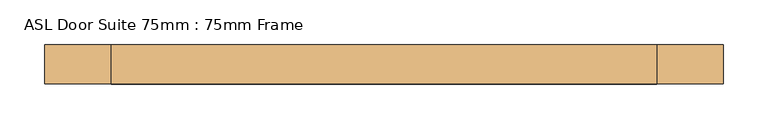
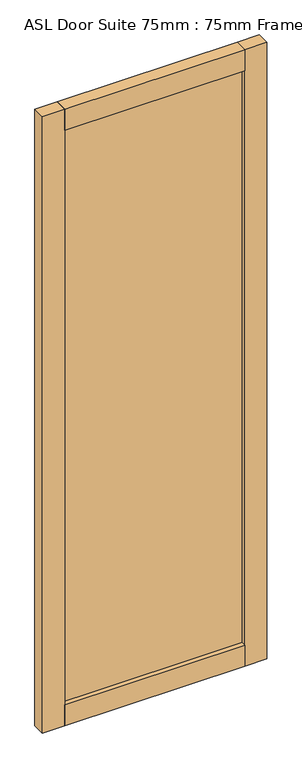
"""IFC4 building model written with IfcOpenShell, lengths in millimetres: door geometry, ASL Door Suite 75mm : 75mm Frame."""

from ifc_helpers import new_model, si_unit, frame, origin, origin_with_axes, place, context, project, spatial, polyline, outline, extrude, source, transform, mapped, element, save


def asl_door_suite_75mm_75mm_frame_d72bb117(model_context):
    return source(origin(), model_context, "Body", "SweptSolid", [
        extrude(outline(polyline([(305.5, 22.0), (305.5, -22.0), (-305.5, -22.0), (-305.5, 22.0), (305.5, 22.0)])), frame((0.0, 0.0, 2133.2673911), z_axis=(0.0, 0.0, 1.0), x_axis=(1.0, 0.0, 0.0)), (0.0, 0.0, 1.0), 75.0),
        extrude(outline(polyline([(-305.5, -22.0), (-380.5, -22.0), (-380.5, 22.0), (-305.5, 22.0), (-305.5, -22.0)])), origin_with_axes(), (0.0, 0.0, 1.0), 2208.2673911),
        extrude(outline(polyline([(305.5, -6.0), (-305.5, -6.0), (-305.5, 6.0), (305.5, 6.0), (305.5, -6.0)])), frame((0.0, 0.0, 75.0), z_axis=(0.0, 0.0, 1.0), x_axis=(1.0, 0.0, 0.0)), (0.0, 0.0, 1.0), 2058.2673911),
        extrude(outline(polyline([(-305.5, -22.0), (-305.5, 22.0), (305.5, 22.0), (305.5, -22.0), (-305.5, -22.0)])), origin_with_axes(), (0.0, 0.0, 1.0), 75.0),
        extrude(outline(polyline([(305.5, -22.0), (305.5, 22.0), (380.5, 22.0), (380.5, -22.0), (305.5, -22.0)])), origin_with_axes(), (0.0, 0.0, 1.0), 2208.2673911),
    ])


if __name__ == "__main__":
    model = new_model("IFC4")
    model_context = context("Model", 3, world=origin())
    ifc_project = project(units=[si_unit("LENGTHUNIT", "METRE", prefix="MILLI")], contexts=[model_context])
    site = spatial("IfcSite", under=ifc_project)
    building = spatial("IfcBuilding", under=site)
    placement = place(None, origin())
    asl_door_suite_75mm_75mm_frame_shape = asl_door_suite_75mm_75mm_frame_d72bb117(model_context)
    element("IfcDoor", 1, ObjectType="ASL Door Suite 75mm : 75mm Frame", at=placement, inside=building, context=model_context, shape_type="MappedRepresentation", body=[
        mapped(asl_door_suite_75mm_75mm_frame_shape, transform((0.0, 0.0, 0.0), x_axis=(1.0, 0.0, 0.0), y_axis=(0.0, 1.0, 0.0), z_axis=(0.0, 0.0, 1.0))),
    ])
    save(model, "model.ifc")
